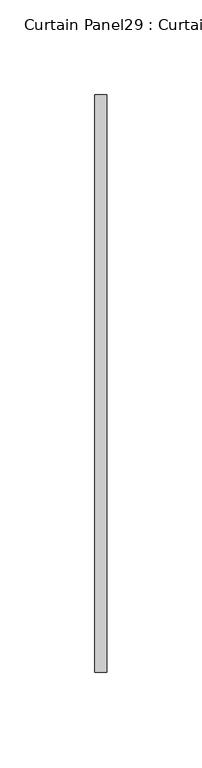
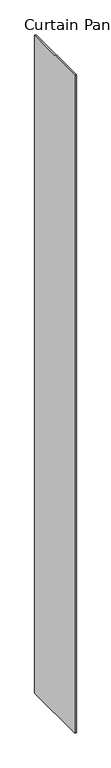
"""IFC4 building model written with IfcOpenShell, lengths in millimetres: plate geometry, Curtain Panel29 : Curtain Panel."""

from ifc_helpers import new_model, si_unit, origin, origin_with_axes, place, context, project, spatial, polyline, outline, extrude, source, transform, mapped, element, save


def curtain_panel29_curtain_panel_bc9e7a9b(model_context):
    return source(origin(), model_context, "Body", "SweptSolid", [
        extrude(outline(polyline([(266640.0031947, 1988.2544821), (266640.0031947, 2293.0544821), (266646.3531947, 2293.0544821), (266646.3531947, 1988.2544821), (266640.0031947, 1988.2544821)])), origin_with_axes(), (0.0, 0.0, 1.0), 3048.0),
    ])


if __name__ == "__main__":
    model = new_model("IFC4")
    model_context = context("Model", 3, world=origin())
    ifc_project = project(units=[si_unit("LENGTHUNIT", "METRE", prefix="MILLI")], contexts=[model_context])
    site = spatial("IfcSite", under=ifc_project)
    building = spatial("IfcBuilding", under=site)
    placement = place(None, origin())
    curtain_panel29_curtain_panel_shape = curtain_panel29_curtain_panel_bc9e7a9b(model_context)
    element("IfcPlate", 1, ObjectType="Curtain Panel29 : Curtain Panel", at=placement, inside=building, context=model_context, shape_type="MappedRepresentation", body=[
        mapped(curtain_panel29_curtain_panel_shape, transform((0.0, 0.0, 0.0), x_axis=(1.0, 0.0, 0.0), y_axis=(0.0, 1.0, 0.0), z_axis=(0.0, 0.0, 1.0))),
    ])
    save(model, "model.ifc")
